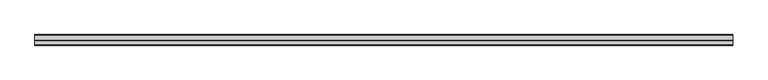
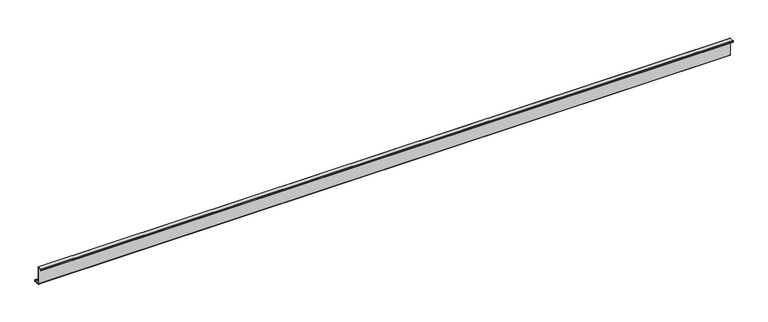
"""IFC4 building model written with IfcOpenShell, lengths in millimetres: member geometry."""

from ifc_helpers import new_model, si_unit, point, frame, frame_2d, origin, place, context, project, spatial, polyline, circle_curve, trimmed, segment, composite_curve, outline, extrude, source, transform, mapped, element, save


def member_ec110dc8(model_context):
    return source(origin(), model_context, "Body", "SweptSolid", [
        extrude(outline(composite_curve([segment(polyline([(0.0, -123.5), (0.0, 123.5)]), True, "CONTINUOUS"), segment(trimmed(circle_curve(frame_2d((-2.0, 123.5)), 2.0), [point((0.0, 123.5))], [point((-2.0, 125.5))], True, "CARTESIAN"), True, "CONTINUOUS"), segment(polyline([(-2.0, 125.5), (-63.5, 125.5)]), True, "CONTINUOUS"), segment(trimmed(circle_curve(frame_2d((-63.5, 123.5)), 2.0), [point((-63.5, 125.5))], [point((-65.5, 123.5))], True, "CARTESIAN"), True, "CONTINUOUS"), segment(polyline([(-65.5, 123.5), (-65.5, 107.0), (-67.0, 107.0), (-67.0, 123.5)]), True, "CONTINUOUS"), segment(trimmed(circle_curve(frame_2d((-63.5, 123.5)), 3.5), [point((-67.0, 123.5))], [point((-63.5, 127.0))], False, "CARTESIAN"), True, "CONTINUOUS"), segment(polyline([(-63.5, 127.0), (-2.0, 127.0)]), True, "CONTINUOUS"), segment(trimmed(circle_curve(frame_2d((-2.0, 123.5)), 3.5), [point((-2.0, 127.0))], [point((1.5, 123.5))], False, "CARTESIAN"), True, "CONTINUOUS"), segment(polyline([(1.5, 123.5), (1.5, -123.5)]), True, "CONTINUOUS"), segment(trimmed(circle_curve(frame_2d((3.5, -123.5)), 2.0), [point((1.5, -123.5))], [point((3.5, -125.5))], True, "CARTESIAN"), True, "CONTINUOUS"), segment(polyline([(3.5, -125.5), (75.0, -125.5)]), True, "CONTINUOUS"), segment(trimmed(circle_curve(frame_2d((75.0, -123.5)), 2.0), [point((75.0, -125.5))], [point((77.0, -123.5))], True, "CARTESIAN"), True, "CONTINUOUS"), segment(polyline([(77.0, -123.5), (77.0, -107.5), (78.5, -107.5), (78.5, -123.5)]), True, "CONTINUOUS"), segment(trimmed(circle_curve(frame_2d((75.0, -123.5)), 3.5), [point((78.5, -123.5))], [point((75.0, -127.0))], False, "CARTESIAN"), True, "CONTINUOUS"), segment(polyline([(75.0, -127.0), (3.5, -127.0)]), True, "CONTINUOUS"), segment(trimmed(circle_curve(frame_2d((3.5, -123.5)), 3.5), [point((3.5, -127.0))], [point((0.0, -123.5))], False, "CARTESIAN"), True, "CONTINUOUS")], self_intersect=False)), frame((-5170.0, 0.0, 0.0), z_axis=(1.0, 0.0, 0.0), x_axis=(0.0, 1.0, 0.0)), (0.0, 0.0, 1.0), 9590.0),
    ])


if __name__ == "__main__":
    model = new_model("IFC4")
    model_context = context("Model", 3, world=origin())
    ifc_project = project(units=[si_unit("LENGTHUNIT", "METRE", prefix="MILLI")], contexts=[model_context])
    site = spatial("IfcSite", under=ifc_project)
    building = spatial("IfcBuilding", under=site)
    placement = place(None, origin())
    member_shape = member_ec110dc8(model_context)
    element("IfcMember", 1, at=placement, inside=building, context=model_context, shape_type="MappedRepresentation", body=[
        mapped(member_shape, transform((0.0, 0.0, 0.0), x_axis=(1.0, 0.0, 0.0), y_axis=(0.0, 1.0, 0.0), z_axis=(0.0, 0.0, 1.0))),
    ])
    save(model, "model.ifc")
